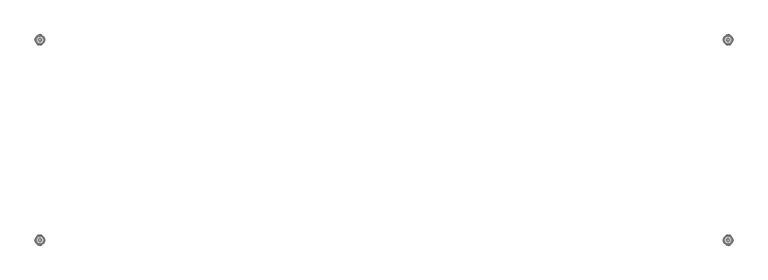
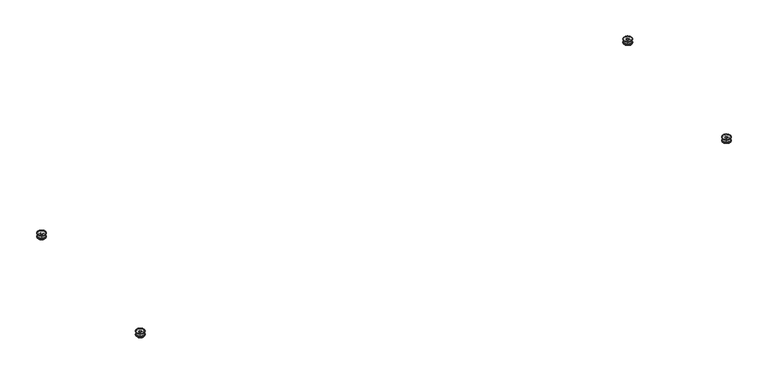
"""IFC4 building model written with IfcOpenShell, lengths in millimetres: furniture geometry."""

from ifc_helpers import new_model, si_unit, origin, place, context, project, spatial, triangles, source, transform, mapped, element, save


def furniture_698a0e67(model_context):
    return source(origin(), model_context, "Body", "Tessellation", [
        triangles([(1768.5860882, -557.0184711, 10.3123997), (1768.5860882, -557.0184711, 3.1750001), (1773.9454994, -566.3012258, 3.1750001), (1773.9454994, -566.3012258, 10.3123997), (1784.6643219, -566.3012258, 10.3123997), (1784.6643219, -566.3012258, 3.1750001), (1790.0237331, -557.0184711, 3.1750001), (1790.0237331, -557.0184711, 10.3123997), (1784.6643219, -547.7357165, 10.3123997), (1784.6643219, -547.7357165, 3.1750001), (1773.9454994, -547.7357165, 3.1750001), (1773.9454994, -547.7357165, 10.3123997), (1775.3298626, -557.0184711, 10.7949999), (1775.3298626, -557.0184711, 10.3123997), (1775.8623882, -559.0060315, 10.3123997), (1775.8623882, -559.0060315, 10.7949999), (1777.3173866, -560.4610299, 10.7949999), (1777.3173866, -560.4610299, 10.3123997), (1779.3049107, -560.9935919, 10.3123997), (1779.3049107, -560.9935919, 10.7949999), (1781.2924347, -560.4610299, 10.7949999), (1781.2924347, -560.4610299, 10.3123997), (1782.7474331, -559.0060315, 10.3123997), (1782.7474331, -559.0060315, 10.7949999), (1783.2801041, -557.0184711, 10.3123997), (1783.2801041, -557.0184711, 10.7949999), (1775.8623882, -555.0309108, 10.7949999), (1775.8623882, -555.0309108, 10.3123997), (1777.3173866, -553.5759487, 10.3123997), (1777.3173866, -553.5759487, 10.7949999), (1779.3049107, -553.0433867, 10.7949999), (1779.3049107, -553.0433867, 10.3123997), (1781.2924347, -553.5759487, 10.3123997), (1781.2924347, -553.5759487, 10.7949999), (1782.7474331, -555.0309108, 10.7949999), (1782.7474331, -555.0309108, 10.3123997), (1768.5373993, -550.8018448, 12.7000004), (1768.5373993, -550.8018448, 10.7949999), (1766.8716579, -557.0184711, 10.7949999), (1766.8716579, -557.0184711, 12.7000004), (1768.5373993, -563.2351338, 12.7000004), (1768.5373993, -563.2351338, 10.7949999), (1773.0882843, -567.7860188, 10.7949999), (1773.0882843, -567.7860188, 12.7000004), (1779.3049107, -569.4517965, 12.7000004), (1779.3049107, -569.4517965, 10.7949999), (1785.521537, -567.7860188, 10.7949999), (1785.521537, -567.7860188, 12.7000004), (1779.3049107, -544.5851821, 10.7949999), (1779.3049107, -544.5851821, 12.7000004), (1773.0882843, -546.2509234, 10.7949999), (1773.0882843, -546.2509234, 12.7000004), (1785.521537, -546.2509234, 12.7000004), (1785.521537, -546.2509234, 10.7949999), (1791.7383087, -557.0184711, 12.7000004), (1791.7383087, -557.0184711, 10.7949999), (1790.0725674, -550.8018448, 10.7949999), (1790.0725674, -550.8018448, 12.7000004), (1790.0725674, -563.2351338, 10.7949999), (1790.0725674, -563.2351338, 12.7000004), (1791.8018223, -557.0184711, 1.1938001), (1791.8018223, -557.0184711, 1.9812), (1790.1275059, -563.2668906, 1.9812), (1790.1275059, -563.2668906, 1.1938001), (1785.5533665, -567.84103, 1.1938001), (1785.5533665, -567.84103, 1.9812), (1779.3049107, -569.5152738, 1.1938001), (1779.3049107, -569.5152738, 1.9812), (1766.8081444, -557.0184711, 1.9812), (1766.8081444, -557.0184711, 1.1938001), (1768.4824608, -563.2668906, 1.1938001), (1768.4824608, -563.2668906, 1.9812), (1773.0566002, -567.84103, 1.9812), (1773.0566002, -567.84103, 1.1938001), (1790.1275059, -550.770088, 1.1938001), (1790.1275059, -550.770088, 1.9812), (1785.5533665, -546.1959486, 1.9812), (1785.5533665, -546.1959486, 1.1938001), (1779.3049107, -544.5216685, 1.1938001), (1779.3049107, -544.5216685, 1.9812), (1768.4824608, -550.770088, 1.9812), (1768.4824608, -550.770088, 1.1938001), (1773.0566002, -546.1959486, 1.1938001), (1773.0566002, -546.1959486, 1.9812), (1773.6535114, -547.2297881, 3.1750001), (1769.516264, -551.3669629, 3.1750001), (1768.0019669, -557.0184711, 3.1750001), (1784.9564552, -547.2297881, 3.1750001), (1779.3049107, -545.715491, 3.1750001), (1769.516264, -562.6699794, 3.1750001), (1773.6535114, -566.8071542, 3.1750001), (1790.6079998, -557.0184711, 3.1750001), (1789.0937027, -551.3669629, 3.1750001), (1784.9564552, -566.8071542, 3.1750001), (1789.0937027, -562.6699794, 3.1750001), (1779.3049107, -568.3214876, 3.1750001), (1779.3049107, -568.9183625, 3.0150611), (1785.2548382, -567.3240921, 3.0150611), (1785.4734295, -567.702521, 2.5780999), (1779.3049107, -569.3553271, 2.5780999), (1789.6105316, -562.968435, 3.0150611), (1789.9889969, -563.1869173, 2.5780999), (1791.204911, -557.0184711, 3.0150611), (1791.641803, -557.0184711, 2.5780999), (1789.6105316, -551.0685436, 3.0150611), (1789.9889969, -550.8500613, 2.5780999), (1773.3549831, -567.3240921, 3.0150611), (1773.1365372, -567.702521, 2.5780999), (1768.9992897, -562.968435, 3.0150611), (1768.6209698, -563.1869173, 2.5780999), (1767.4050556, -557.0184711, 3.0150611), (1766.9681637, -557.0184711, 2.5780999), (1768.9992897, -551.0685436, 3.0150611), (1768.6209698, -550.8500613, 2.5780999), (1773.3549831, -546.7128502, 3.0150611), (1773.1365372, -546.3344576, 2.5780999), (1779.3049107, -545.1185798, 3.0150611), (1779.3049107, -544.6816152, 2.5780999), (1785.2548382, -546.7128502, 3.0150611), (1785.4734295, -546.3344576, 2.5780999), (1779.3049107, -569.3553271, 0.5969), (1785.4734295, -567.702521, 0.5969), (1779.3049107, -568.9183625, 0.1599389), (1785.2548382, -567.3240921, 0.1599389), (1789.9889969, -563.1869173, 0.5969), (1789.6105316, -562.968435, 0.1599389), (1791.641803, -557.0184711, 0.5969), (1791.204911, -557.0184711, 0.1599389), (1789.9889969, -550.8500613, 0.5969), (1789.6105316, -551.0685436, 0.1599389), (1773.1365372, -567.702521, 0.5969), (1773.3549831, -567.3240921, 0.1599389), (1768.6209698, -563.1869173, 0.5969), (1768.9992897, -562.968435, 0.1599389), (1766.9681637, -557.0184711, 0.5969), (1767.4050556, -557.0184711, 0.1599389), (1768.6209698, -550.8500613, 0.5969), (1768.9992897, -551.0685436, 0.1599389), (1773.1365372, -546.3344576, 0.5969), (1773.3549831, -546.7128502, 0.1599389), (1779.3049107, -544.6816152, 0.5969), (1779.3049107, -545.1185798, 0.1599389), (1785.4734295, -546.3344576, 0.5969), (1785.2548382, -546.7128502, 0.1599389), (1779.3049107, -568.3214876, 0.0), (1784.9564552, -566.8071542, 0.0), (1789.0937027, -562.6699794, 0.0), (1790.6079998, -557.0184711, 0.0), (1789.0937027, -551.3669629, 0.0), (1773.6535114, -566.8071542, 0.0), (1769.516264, -562.6699794, 0.0), (1768.0019669, -557.0184711, 0.0), (1769.516264, -551.3669629, 0.0), (1773.6535114, -547.2297881, 0.0), (1779.3049107, -545.715491, 0.0), (1784.9564552, -547.2297881, 0.0), (1773.9454994, -43.2987697, 10.3123997), (1773.9454994, -43.2987697, 3.1750001), (1768.5860882, -52.5815198, 3.1750001), (1768.5860882, -52.5815198, 10.3123997), (1784.6643219, -43.2987697, 3.1750001), (1784.6643219, -43.2987697, 10.3123997), (1790.0237331, -52.5815198, 10.3123997), (1790.0237331, -52.5815198, 3.1750001), (1784.6643219, -61.8642744, 3.1750001), (1784.6643219, -61.8642744, 10.3123997), (1773.9454994, -61.8642744, 10.3123997), (1773.9454994, -61.8642744, 3.1750001), (1775.8623882, -50.593973, 10.7949999), (1775.8623882, -50.593973, 10.3123997), (1775.3298626, -52.5815198, 10.3123997), (1775.3298626, -52.5815198, 10.7949999), (1777.3173866, -49.1389837, 10.3123997), (1777.3173866, -49.1389837, 10.7949999), (1779.3049107, -48.6064217, 10.7949999), (1779.3049107, -48.6064217, 10.3123997), (1781.2924347, -49.1389837, 10.3123997), (1781.2924347, -49.1389837, 10.7949999), (1782.7474331, -50.593973, 10.7949999), (1782.7474331, -50.593973, 10.3123997), (1783.2801041, -52.5815198, 10.3123997), (1783.2801041, -52.5815198, 10.7949999), (1775.8623882, -54.5690711, 10.3123997), (1775.8623882, -54.5690711, 10.7949999), (1777.3173866, -56.0240604, 10.7949999), (1777.3173866, -56.0240604, 10.3123997), (1779.3049107, -56.5566223, 10.3123997), (1779.3049107, -56.5566223, 10.7949999), (1781.2924347, -56.0240604, 10.7949999), (1781.2924347, -56.0240604, 10.3123997), (1782.7474331, -54.5690711, 10.3123997), (1782.7474331, -54.5690711, 10.7949999), (1766.8716579, -52.5815198, 12.7000004), (1766.8716579, -52.5815198, 10.7949999), (1768.5373993, -58.7981734, 10.7949999), (1768.5373993, -58.7981734, 12.7000004), (1768.5373993, -46.3648707, 10.7949999), (1768.5373993, -46.3648707, 12.7000004), (1773.0882843, -41.8139675, 12.7000004), (1773.0882843, -41.8139675, 10.7949999), (1779.3049107, -40.1482216, 10.7949999), (1779.3049107, -40.1482216, 12.7000004), (1785.521537, -41.8139675, 12.7000004), (1785.521537, -41.8139675, 10.7949999), (1773.0882843, -63.3490766, 10.7949999), (1773.0882843, -63.3490766, 12.7000004), (1779.3049107, -65.0148224, 12.7000004), (1779.3049107, -65.0148224, 10.7949999), (1785.521537, -63.3490766, 10.7949999), (1785.521537, -63.3490766, 12.7000004), (1790.0725674, -58.7981734, 12.7000004), (1790.0725674, -58.7981734, 10.7949999), (1791.7383087, -52.5815198, 10.7949999), (1791.7383087, -52.5815198, 12.7000004), (1790.0725674, -46.3648707, 10.7949999), (1790.0725674, -46.3648707, 12.7000004), (1790.1275059, -46.333123, 1.1938001), (1790.1275059, -46.333123, 1.9812), (1791.8018223, -52.5815198, 1.9812), (1791.8018223, -52.5815198, 1.1938001), (1785.5533665, -41.7589745, 1.9812), (1785.5533665, -41.7589745, 1.1938001), (1779.3049107, -40.0847217, 1.1938001), (1779.3049107, -40.0847217, 1.9812), (1768.4824608, -46.333123, 1.9812), (1768.4824608, -46.333123, 1.1938001), (1766.8081444, -52.5815198, 1.1938001), (1766.8081444, -52.5815198, 1.9812), (1773.0566002, -41.7589745, 1.1938001), (1773.0566002, -41.7589745, 1.9812), (1790.1275059, -58.8299211, 1.1938001), (1790.1275059, -58.8299211, 1.9812), (1785.5533665, -63.4040696, 1.1938001), (1785.5533665, -63.4040696, 1.9812), (1779.3049107, -65.0783224, 1.1938001), (1779.3049107, -65.0783224, 1.9812), (1768.4824608, -58.8299211, 1.1938001), (1768.4824608, -58.8299211, 1.9812), (1773.0566002, -63.4040696, 1.9812), (1773.0566002, -63.4040696, 1.1938001), (1769.516264, -58.2330235, 3.1750001), (1773.6535114, -62.3702073, 3.1750001), (1768.0019669, -52.5815198, 3.1750001), (1779.3049107, -63.8845226, 3.1750001), (1784.9564552, -62.3702073, 3.1750001), (1769.516264, -46.9300206, 3.1750001), (1773.6535114, -42.7928367, 3.1750001), (1789.0937027, -58.2330235, 3.1750001), (1790.6079998, -52.5815198, 3.1750001), (1789.0937027, -46.9300206, 3.1750001), (1784.9564552, -42.7928367, 3.1750001), (1779.3049107, -41.2785215, 3.1750001), (1785.2548382, -42.2759079, 3.0150611), (1779.3049107, -40.6816193, 3.0150611), (1779.3049107, -40.2446592, 2.5780999), (1785.4734295, -41.897488, 2.5780999), (1789.6105316, -46.6315695, 3.0150611), (1789.9889969, -46.4130918, 2.5780999), (1791.204911, -52.5815198, 3.0150611), (1791.641803, -52.5815198, 2.5780999), (1789.6105316, -58.53147, 3.0150611), (1789.9889969, -58.7499523, 2.5780999), (1773.3549831, -42.2759079, 3.0150611), (1773.1365372, -41.897488, 2.5780999), (1768.9992897, -46.6315695, 3.0150611), (1768.6209698, -46.4130918, 2.5780999), (1767.4050556, -52.5815198, 3.0150611), (1766.9681637, -52.5815198, 2.5780999), (1768.9992897, -58.53147, 3.0150611), (1768.6209698, -58.7499523, 2.5780999), (1773.3549831, -62.8871362, 3.0150611), (1773.1365372, -63.265556, 2.5780999), (1779.3049107, -64.4814202, 3.0150611), (1779.3049107, -64.9183848, 2.5780999), (1785.2548382, -62.8871362, 3.0150611), (1785.4734295, -63.265556, 2.5780999), (1779.3049107, -40.6816193, 0.1599389), (1785.2548382, -42.2759079, 0.1599389), (1785.4734295, -41.897488, 0.5969), (1779.3049107, -40.2446592, 0.5969), (1789.6105316, -46.6315695, 0.1599389), (1789.9889969, -46.4130918, 0.5969), (1791.204911, -52.5815198, 0.1599389), (1791.641803, -52.5815198, 0.5969), (1789.6105316, -58.53147, 0.1599389), (1789.9889969, -58.7499523, 0.5969), (1773.3549831, -42.2759079, 0.1599389), (1773.1365372, -41.897488, 0.5969), (1768.9992897, -46.6315695, 0.1599389), (1768.6209698, -46.4130918, 0.5969), (1767.4050556, -52.5815198, 0.1599389), (1766.9681637, -52.5815198, 0.5969), (1768.9992897, -58.53147, 0.1599389), (1768.6209698, -58.7499523, 0.5969), (1773.3549831, -62.8871362, 0.1599389), (1773.1365372, -63.265556, 0.5969), (1779.3049107, -64.4814202, 0.1599389), (1779.3049107, -64.9183848, 0.5969), (1785.2548382, -62.8871362, 0.1599389), (1785.4734295, -63.265556, 0.5969), (1784.9564552, -42.7928367, 0.0), (1779.3049107, -41.2785215, 0.0), (1789.0937027, -46.9300206, 0.0), (1790.6079998, -52.5815198, 0.0), (1789.0937027, -58.2330235, 0.0), (1773.6535114, -42.7928367, 0.0), (1769.516264, -46.9300206, 0.0), (1768.0019669, -52.5815198, 0.0), (1769.516264, -58.2330235, 0.0), (1773.6535114, -62.3702073, 0.0), (1779.3049107, -63.8845226, 0.0), (1784.9564552, -62.3702073, 0.0), (54.8628395, -566.2963932, 10.3123997), (54.8628395, -566.2963932, 3.1750001), (60.2222371, -557.0136386, 3.1750001), (60.2222371, -557.0136386, 10.3123997), (44.1440397, -566.2963932, 3.1750001), (44.1440397, -566.2963932, 10.3123997), (38.7846375, -557.0136386, 10.3123997), (38.7846375, -557.0136386, 3.1750001), (44.1440397, -547.730884, 3.1750001), (44.1440397, -547.730884, 10.3123997), (54.8628395, -547.730884, 10.3123997), (54.8628395, -547.730884, 3.1750001), (52.9459779, -559.001199, 10.7949999), (52.9459779, -559.001199, 10.3123997), (53.4785399, -557.0136386, 10.3123997), (53.4785399, -557.0136386, 10.7949999), (51.4909886, -560.456161, 10.3123997), (51.4909886, -560.456161, 10.7949999), (49.5034373, -560.988723, 10.7949999), (49.5034373, -560.988723, 10.3123997), (47.5158906, -560.456161, 10.3123997), (47.5158906, -560.456161, 10.7949999), (46.0609012, -559.001199, 10.7949999), (46.0609012, -559.001199, 10.3123997), (45.5283393, -557.0136386, 10.3123997), (45.5283393, -557.0136386, 10.7949999), (52.9459779, -555.0260782, 10.3123997), (52.9459779, -555.0260782, 10.7949999), (51.4909886, -553.5710798, 10.3123997), (51.4909886, -553.5710798, 10.7949999), (49.5034373, -553.0385179, 10.3123997), (49.5034373, -553.0385179, 10.7949999), (47.5158906, -553.5710798, 10.7949999), (47.5158906, -553.5710798, 10.3123997), (46.0609012, -555.0260782, 10.3123997), (46.0609012, -555.0260782, 10.7949999), (61.93674, -557.0136386, 12.7000004), (61.93674, -557.0136386, 10.7949999), (60.2709941, -550.7969759, 10.7949999), (60.2709941, -550.7969759, 12.7000004), (60.2709941, -563.2303013, 10.7949999), (60.2709941, -563.2303013, 12.7000004), (55.7200909, -567.7811863, 12.7000004), (55.7200909, -567.7811863, 10.7949999), (49.5034373, -569.4469276, 10.7949999), (49.5034373, -569.4469276, 12.7000004), (43.2867882, -567.7811863, 12.7000004), (43.2867882, -567.7811863, 10.7949999), (55.7200909, -546.2460909, 10.7949999), (55.7200909, -546.2460909, 12.7000004), (49.5034373, -544.5803495, 10.7949999), (49.5034373, -544.5803495, 12.7000004), (43.2867882, -546.2460909, 10.7949999), (43.2867882, -546.2460909, 12.7000004), (38.7358851, -550.7969759, 12.7000004), (38.7358851, -550.7969759, 10.7949999), (37.0701392, -557.0136386, 10.7949999), (37.0701392, -557.0136386, 12.7000004), (38.7358851, -563.2303013, 12.7000004), (38.7358851, -563.2303013, 10.7949999), (38.6808921, -563.2620217, 1.1938001), (38.6808921, -563.2620217, 1.9812), (37.0066392, -557.0136386, 1.1938001), (37.0066392, -557.0136386, 1.9812), (43.2550405, -567.8361975, 1.9812), (43.2550405, -567.8361975, 1.1938001), (49.5034373, -569.5104412, 1.1938001), (49.5034373, -569.5104412, 1.9812), (60.3259871, -563.2620217, 1.9812), (60.3259871, -563.2620217, 1.1938001), (62.0002399, -557.0136386, 1.1938001), (62.0002399, -557.0136386, 1.9812), (55.7518386, -567.8361975, 1.1938001), (55.7518386, -567.8361975, 1.9812), (38.6808921, -550.7652191, 1.1938001), (38.6808921, -550.7652191, 1.9812), (43.2550405, -546.1910797, 1.1938001), (43.2550405, -546.1910797, 1.9812), (49.5034373, -544.516836, 1.1938001), (49.5034373, -544.516836, 1.9812), (60.3259871, -550.7652191, 1.1938001), (60.3259871, -550.7652191, 1.9812), (55.7518386, -546.1910797, 1.1938001), (55.7518386, -546.1910797, 1.9812), (59.2921249, -551.3621304, 3.1750001), (55.1549365, -547.2249556, 3.1750001), (60.8064402, -557.0136386, 3.1750001), (49.5034373, -545.7106221, 3.1750001), (43.8519382, -547.2249556, 3.1750001), (59.2921249, -562.6651468, 3.1750001), (55.1549365, -566.8023216, 3.1750001), (39.7147543, -551.3621304, 3.1750001), (38.200439, -557.0136386, 3.1750001), (39.7147543, -562.6651468, 3.1750001), (43.8519382, -566.8023216, 3.1750001), (49.5034373, -568.3166187, 3.1750001), (43.5534871, -567.3192595, 3.0150611), (49.5034373, -568.91353, 3.0150611), (49.5034373, -569.3504946, 2.5780999), (43.3350093, -567.6976521, 2.5780999), (39.1978209, -562.9635661, 3.0150611), (38.8194056, -563.1820484, 2.5780999), (37.6035391, -557.0136386, 3.0150611), (37.1665768, -557.0136386, 2.5780999), (39.1978209, -551.0636747, 3.0150611), (38.8194056, -550.8451924, 2.5780999), (55.4533875, -567.3192595, 3.0150611), (55.6718698, -567.6976521, 2.5780999), (59.8090537, -562.9635661, 3.0150611), (60.1874736, -563.1820484, 2.5780999), (61.4033378, -557.0136386, 3.0150611), (61.8402978, -557.0136386, 2.5780999), (59.8090537, -551.0636747, 3.0150611), (60.1874736, -550.8451924, 2.5780999), (55.4533875, -546.7080176, 3.0150611), (55.6718698, -546.3295887, 2.5780999), (49.5034373, -545.1137472, 3.0150611), (49.5034373, -544.6767826, 2.5780999), (43.5534871, -546.7080176, 3.0150611), (43.3350093, -546.3295887, 2.5780999), (49.5034373, -568.91353, 0.1599389), (43.5534871, -567.3192595, 0.1599389), (43.3350093, -567.6976521, 0.5969), (49.5034373, -569.3504946, 0.5969), (39.1978209, -562.9635661, 0.1599389), (38.8194056, -563.1820484, 0.5969), (37.6035391, -557.0136386, 0.1599389), (37.1665768, -557.0136386, 0.5969), (39.1978209, -551.0636747, 0.1599389), (38.8194056, -550.8451924, 0.5969), (55.4533875, -567.3192595, 0.1599389), (55.6718698, -567.6976521, 0.5969), (59.8090537, -562.9635661, 0.1599389), (60.1874736, -563.1820484, 0.5969), (61.4033378, -557.0136386, 0.1599389), (61.8402978, -557.0136386, 0.5969), (59.8090537, -551.0636747, 0.1599389), (60.1874736, -550.8451924, 0.5969), (55.4533875, -546.7080176, 0.1599389), (55.6718698, -546.3295887, 0.5969), (49.5034373, -545.1137472, 0.1599389), (49.5034373, -544.6767826, 0.5969), (43.5534871, -546.7080176, 0.1599389), (43.3350093, -546.3295887, 0.5969), (43.8519382, -566.8023216, 0.0), (49.5034373, -568.3166187, 0.0), (39.7147543, -562.6651468, 0.0), (38.200439, -557.0136386, 0.0), (39.7147543, -551.3621304, 0.0), (55.1549365, -566.8023216, 0.0), (59.2921249, -562.6651468, 0.0), (60.8064402, -557.0136386, 0.0), (59.2921249, -551.3621304, 0.0), (55.1549365, -547.2249556, 0.0), (49.5034373, -545.7106221, 0.0), (43.8519382, -547.2249556, 0.0), (60.2222371, -52.586366, 10.3123997), (60.2222371, -52.586366, 3.1750001), (54.8628395, -43.3036113, 3.1750001), (54.8628395, -43.3036113, 10.3123997), (44.1440397, -43.3036113, 10.3123997), (44.1440397, -43.3036113, 3.1750001), (38.7846375, -52.586366, 10.3123997), (38.7846375, -52.586366, 3.1750001), (44.1440397, -61.8691206, 10.3123997), (44.1440397, -61.8691206, 3.1750001), (54.8628395, -61.8691206, 3.1750001), (54.8628395, -61.8691206, 10.3123997), (53.4785399, -52.586366, 10.7949999), (53.4785399, -52.586366, 10.3123997), (52.9459779, -50.5988147, 10.3123997), (52.9459779, -50.5988147, 10.7949999), (51.4909886, -49.1438299, 10.3123997), (51.4909886, -49.1438299, 10.7949999), (49.5034373, -48.6112679, 10.3123997), (49.5034373, -48.6112679, 10.7949999), (47.5158906, -49.1438299, 10.7949999), (47.5158906, -49.1438299, 10.3123997), (46.0609012, -50.5988147, 10.3123997), (46.0609012, -50.5988147, 10.7949999), (45.5283393, -52.586366, 10.7949999), (45.5283393, -52.586366, 10.3123997), (52.9459779, -54.5739172, 10.7949999), (52.9459779, -54.5739172, 10.3123997), (51.4909886, -56.028902, 10.3123997), (51.4909886, -56.028902, 10.7949999), (49.5034373, -56.561464, 10.7949999), (49.5034373, -56.561464, 10.3123997), (47.5158906, -56.028902, 10.3123997), (47.5158906, -56.028902, 10.7949999), (46.0609012, -54.5739172, 10.7949999), (46.0609012, -54.5739172, 10.3123997), (60.2709941, -58.803015, 12.7000004), (60.2709941, -58.803015, 10.7949999), (61.93674, -52.586366, 10.7949999), (61.93674, -52.586366, 12.7000004), (60.2709941, -46.3697169, 10.7949999), (60.2709941, -46.3697169, 12.7000004), (55.7200909, -41.8188137, 10.7949999), (55.7200909, -41.8188137, 12.7000004), (49.5034373, -40.1530678, 10.7949999), (49.5034373, -40.1530678, 12.7000004), (43.2867882, -41.8188137, 10.7949999), (43.2867882, -41.8188137, 12.7000004), (49.5034373, -65.0196641, 10.7949999), (49.5034373, -65.0196641, 12.7000004), (55.7200909, -63.3539182, 12.7000004), (55.7200909, -63.3539182, 10.7949999), (43.2867882, -63.3539182, 12.7000004), (43.2867882, -63.3539182, 10.7949999), (37.0701392, -52.586366, 12.7000004), (37.0701392, -52.586366, 10.7949999), (38.7358851, -58.803015, 10.7949999), (38.7358851, -58.803015, 12.7000004), (38.7358851, -46.3697169, 10.7949999), (38.7358851, -46.3697169, 12.7000004), (37.0066392, -52.586366, 1.1938001), (37.0066392, -52.586366, 1.9812), (38.6808921, -46.3379646, 1.1938001), (38.6808921, -46.3379646, 1.9812), (43.2550405, -41.7638207, 1.1938001), (43.2550405, -41.7638207, 1.9812), (49.5034373, -40.0895679, 1.9812), (49.5034373, -40.0895679, 1.1938001), (62.0002399, -52.586366, 1.9812), (62.0002399, -52.586366, 1.1938001), (60.3259871, -46.3379646, 1.1938001), (60.3259871, -46.3379646, 1.9812), (55.7518386, -41.7638207, 1.1938001), (55.7518386, -41.7638207, 1.9812), (38.6808921, -58.8347673, 1.1938001), (38.6808921, -58.8347673, 1.9812), (43.2550405, -63.4089112, 1.9812), (43.2550405, -63.4089112, 1.1938001), (49.5034373, -65.083164, 1.1938001), (49.5034373, -65.083164, 1.9812), (60.3259871, -58.8347673, 1.9812), (60.3259871, -58.8347673, 1.1938001), (55.7518386, -63.4089112, 1.1938001), (55.7518386, -63.4089112, 1.9812), (55.1549365, -62.375049, 3.1750001), (59.2921249, -58.2378651, 3.1750001), (60.8064402, -52.586366, 3.1750001), (43.8519382, -62.375049, 3.1750001), (49.5034373, -63.8893643, 3.1750001), (59.2921249, -46.9348668, 3.1750001), (55.1549365, -42.7976829, 3.1750001), (38.200439, -52.586366, 3.1750001), (39.7147543, -58.2378651, 3.1750001), (43.8519382, -42.7976829, 3.1750001), (39.7147543, -46.9348668, 3.1750001), (49.5034373, -41.2833676, 3.1750001), (43.5534871, -42.2807495, 3.0150611), (49.5034373, -40.6864655, 3.0150611), (43.3350093, -41.9023297, 2.5780999), (49.5034373, -40.2495054, 2.5780999), (39.1978209, -46.6364157, 3.0150611), (38.8194056, -46.4179334, 2.5780999), (37.6035391, -52.586366, 3.0150611), (37.1665768, -52.586366, 2.5780999), (39.1978209, -58.5363162, 3.0150611), (38.8194056, -58.7547985, 2.5780999), (55.4533875, -42.2807495, 3.0150611), (55.6718698, -41.9023297, 2.5780999), (59.8090537, -46.6364157, 3.0150611), (60.1874736, -46.4179334, 2.5780999), (61.4033378, -52.586366, 3.0150611), (61.8402978, -52.586366, 2.5780999), (59.8090537, -58.5363162, 3.0150611), (60.1874736, -58.7547985, 2.5780999), (55.4533875, -62.8919824, 3.0150611), (55.6718698, -63.2704022, 2.5780999), (49.5034373, -64.4862664, 3.0150611), (49.5034373, -64.9232265, 2.5780999), (43.5534871, -62.8919824, 3.0150611), (43.3350093, -63.2704022, 2.5780999), (49.5034373, -40.2495054, 0.5969), (43.3350093, -41.9023297, 0.5969), (43.5534871, -42.2807495, 0.1599389), (49.5034373, -40.6864655, 0.1599389), (38.8194056, -46.4179334, 0.5969), (39.1978209, -46.6364157, 0.1599389), (37.1665768, -52.586366, 0.5969), (37.6035391, -52.586366, 0.1599389), (38.8194056, -58.7547985, 0.5969), (39.1978209, -58.5363162, 0.1599389), (55.6718698, -41.9023297, 0.5969), (55.4533875, -42.2807495, 0.1599389), (60.1874736, -46.4179334, 0.5969), (59.8090537, -46.6364157, 0.1599389), (61.8402978, -52.586366, 0.5969), (61.4033378, -52.586366, 0.1599389), (60.1874736, -58.7547985, 0.5969), (59.8090537, -58.5363162, 0.1599389), (55.6718698, -63.2704022, 0.5969), (55.4533875, -62.8919824, 0.1599389), (49.5034373, -64.9232265, 0.5969), (49.5034373, -64.4862664, 0.1599389), (43.3350093, -63.2704022, 0.5969), (43.5534871, -62.8919824, 0.1599389), (49.5034373, -41.2833676, 0.0), (43.8519382, -42.7976829, 0.0), (39.7147543, -46.9348668, 0.0), (38.200439, -52.586366, 0.0), (39.7147543, -58.2378651, 0.0), (55.1549365, -42.7976829, 0.0), (59.2921249, -46.9348668, 0.0), (60.8064402, -52.586366, 0.0), (59.2921249, -58.2378651, 0.0), (55.1549365, -62.375049, 0.0), (49.5034373, -63.8893643, 0.0), (43.8519382, -62.375049, 0.0)], [[1, 2, 3], [1, 3, 4], [3, 4, 5], [3, 5, 6], [5, 6, 7], [5, 7, 8], [7, 8, 9], [7, 9, 10], [9, 10, 11], [9, 11, 12], [11, 12, 1], [11, 1, 2], [13, 14, 15], [13, 15, 16], [15, 16, 17], [15, 17, 18], [17, 18, 19], [17, 19, 20], [19, 20, 21], [19, 21, 22], [21, 22, 23], [21, 23, 24], [23, 24, 25], [24, 26, 25], [27, 28, 14], [27, 14, 13], [29, 30, 28], [30, 27, 28], [31, 32, 29], [31, 29, 30], [33, 34, 32], [34, 31, 32], [35, 36, 33], [35, 33, 34], [25, 26, 36], [26, 35, 36], [37, 38, 39], [37, 39, 40], [39, 40, 41], [39, 41, 42], [41, 42, 43], [41, 43, 44], [43, 44, 45], [43, 45, 46], [45, 46, 47], [45, 47, 48], [49, 50, 51], [50, 52, 51], [53, 54, 49], [53, 49, 50], [52, 51, 38], [52, 38, 37], [55, 56, 57], [55, 57, 58], [59, 60, 56], [60, 55, 56], [48, 47, 59], [48, 59, 60], [58, 57, 54], [58, 54, 53], [54, 34, 35], [54, 35, 57], [35, 57, 56], [35, 56, 26], [56, 26, 24], [56, 24, 59], [34, 54, 49], [34, 49, 31], [49, 31, 51], [31, 30, 51], [30, 51, 38], [30, 38, 27], [38, 27, 13], [38, 13, 39], [13, 39, 42], [13, 42, 16], [59, 24, 21], [59, 21, 47], [21, 47, 20], [47, 46, 20], [46, 20, 17], [46, 17, 43], [17, 43, 42], [17, 42, 16], [61, 62, 63], [61, 63, 64], [63, 64, 65], [63, 65, 66], [65, 66, 67], [66, 68, 67], [69, 70, 71], [69, 71, 72], [71, 72, 73], [71, 73, 74], [73, 74, 67], [73, 67, 68], [75, 76, 62], [75, 62, 61], [77, 78, 75], [77, 75, 76], [79, 80, 77], [79, 77, 78], [81, 82, 70], [81, 70, 69], [83, 84, 82], [84, 81, 82], [80, 79, 83], [80, 83, 84], [11, 85, 86], [11, 86, 2], [87, 2, 86], [10, 88, 89], [10, 89, 11], [85, 11, 89], [2, 87, 90], [2, 90, 3], [91, 3, 90], [7, 92, 93], [7, 93, 10], [88, 10, 93], [6, 94, 95], [6, 95, 7], [92, 7, 95], [3, 91, 96], [3, 96, 6], [94, 6, 96], [12, 1, 5], [12, 5, 8], [9, 12, 8], [5, 1, 4], [94, 96, 97], [94, 97, 98], [97, 98, 99], [97, 99, 100], [99, 100, 68], [99, 68, 66], [95, 94, 98], [95, 98, 101], [98, 101, 102], [98, 102, 99], [102, 99, 66], [102, 66, 63], [92, 95, 101], [92, 101, 103], [101, 103, 104], [101, 104, 102], [104, 102, 63], [104, 63, 62], [93, 92, 103], [93, 103, 105], [103, 105, 106], [103, 106, 104], [106, 104, 62], [106, 62, 76], [96, 91, 97], [91, 107, 97], [107, 97, 100], [107, 100, 108], [100, 108, 68], [108, 73, 68], [91, 90, 109], [91, 109, 107], [109, 107, 110], [107, 108, 110], [108, 110, 72], [108, 72, 73], [90, 87, 111], [90, 111, 109], [111, 109, 112], [109, 110, 112], [110, 112, 69], [110, 69, 72], [87, 86, 111], [86, 113, 111], [113, 111, 114], [111, 112, 114], [112, 114, 81], [112, 81, 69], [86, 85, 113], [85, 115, 113], [115, 113, 114], [115, 114, 116], [114, 116, 81], [116, 84, 81], [85, 89, 115], [89, 117, 115], [117, 115, 116], [117, 116, 118], [116, 118, 84], [118, 80, 84], [89, 88, 119], [89, 119, 117], [119, 117, 118], [119, 118, 120], [118, 120, 77], [118, 77, 80], [88, 93, 105], [88, 105, 119], [105, 119, 120], [105, 120, 106], [120, 106, 76], [120, 76, 77], [121, 122, 123], [122, 124, 123], [65, 67, 121], [65, 121, 122], [122, 125, 124], [125, 126, 124], [64, 65, 122], [64, 122, 125], [125, 127, 128], [125, 128, 126], [61, 64, 127], [64, 125, 127], [127, 129, 130], [127, 130, 128], [75, 61, 129], [61, 127, 129], [131, 121, 123], [131, 123, 132], [67, 74, 131], [67, 131, 121], [133, 131, 132], [133, 132, 134], [74, 71, 133], [74, 133, 131], [135, 133, 134], [135, 134, 136], [71, 70, 135], [71, 135, 133], [137, 135, 136], [137, 136, 138], [70, 82, 137], [70, 137, 135], [139, 137, 138], [139, 138, 140], [82, 83, 139], [82, 139, 137], [141, 139, 140], [141, 140, 142], [83, 79, 141], [83, 141, 139], [143, 141, 144], [141, 142, 144], [79, 78, 143], [79, 143, 141], [129, 143, 144], [129, 144, 130], [78, 75, 143], [75, 129, 143], [124, 123, 145], [124, 145, 146], [126, 124, 146], [126, 146, 147], [128, 126, 147], [128, 147, 148], [130, 128, 149], [128, 148, 149], [123, 132, 150], [123, 150, 145], [132, 134, 151], [132, 151, 150], [134, 136, 152], [134, 152, 151], [136, 138, 153], [136, 153, 152], [138, 140, 154], [138, 154, 153], [140, 142, 155], [140, 155, 154], [142, 144, 156], [142, 156, 155], [144, 130, 156], [130, 149, 156], [145, 155, 156], [145, 156, 146], [156, 146, 147], [156, 147, 149], [147, 149, 148], [145, 150, 154], [145, 154, 155], [154, 150, 151], [154, 151, 153], [151, 153, 152], [157, 158, 159], [157, 159, 160], [161, 162, 157], [161, 157, 158], [163, 164, 161], [163, 161, 162], [165, 166, 163], [165, 163, 164], [167, 168, 165], [167, 165, 166], [159, 160, 167], [159, 167, 168], [169, 170, 171], [169, 171, 172], [173, 174, 170], [174, 169, 170], [175, 176, 173], [175, 173, 174], [177, 178, 176], [178, 175, 176], [179, 180, 177], [179, 177, 178], [181, 182, 180], [182, 179, 180], [172, 171, 183], [172, 183, 184], [183, 184, 185], [183, 185, 186], [185, 186, 187], [185, 187, 188], [187, 188, 189], [187, 189, 190], [189, 190, 191], [189, 191, 192], [191, 192, 182], [191, 182, 181], [193, 194, 195], [193, 195, 196], [197, 198, 194], [198, 193, 194], [199, 200, 197], [199, 197, 198], [201, 202, 200], [202, 199, 200], [203, 204, 201], [203, 201, 202], [205, 206, 207], [205, 207, 208], [207, 208, 209], [207, 209, 210], [196, 195, 205], [196, 205, 206], [211, 212, 213], [211, 213, 214], [213, 214, 215], [214, 216, 215], [216, 215, 204], [216, 204, 203], [210, 209, 212], [210, 212, 211], [212, 192, 189], [212, 189, 209], [182, 213, 212], [182, 212, 192], [215, 179, 213], [179, 182, 213], [188, 208, 209], [188, 209, 189], [205, 185, 188], [205, 188, 208], [184, 195, 205], [184, 205, 185], [194, 172, 184], [194, 184, 195], [169, 197, 172], [197, 194, 172], [204, 178, 179], [204, 179, 215], [175, 201, 204], [175, 204, 178], [200, 174, 175], [200, 175, 201], [169, 197, 200], [169, 200, 174], [217, 218, 219], [217, 219, 220], [221, 222, 217], [221, 217, 218], [223, 224, 221], [223, 221, 222], [225, 226, 227], [225, 227, 228], [229, 230, 226], [230, 225, 226], [224, 223, 229], [224, 229, 230], [220, 219, 231], [219, 232, 231], [232, 231, 233], [232, 233, 234], [233, 234, 235], [234, 236, 235], [228, 227, 237], [228, 237, 238], [237, 238, 239], [237, 239, 240], [239, 240, 235], [239, 235, 236], [241, 242, 168], [159, 241, 168], [241, 159, 243], [244, 245, 165], [168, 244, 165], [244, 168, 242], [246, 243, 159], [158, 246, 159], [246, 158, 247], [248, 249, 164], [165, 248, 164], [248, 165, 245], [250, 251, 161], [164, 250, 161], [250, 164, 249], [252, 247, 158], [161, 252, 158], [252, 161, 251], [163, 162, 160], [163, 160, 167], [163, 167, 166], [157, 160, 162], [253, 254, 252], [253, 252, 251], [255, 256, 254], [256, 253, 254], [221, 224, 255], [221, 255, 256], [257, 253, 251], [257, 251, 250], [256, 258, 253], [258, 257, 253], [218, 221, 256], [218, 256, 258], [259, 257, 250], [259, 250, 249], [258, 260, 257], [260, 259, 257], [219, 218, 258], [219, 258, 260], [261, 259, 249], [261, 249, 248], [260, 262, 261], [260, 261, 259], [232, 219, 262], [219, 260, 262], [254, 263, 247], [254, 247, 252], [264, 255, 254], [264, 254, 263], [224, 230, 255], [230, 264, 255], [263, 265, 246], [263, 246, 247], [266, 264, 263], [266, 263, 265], [230, 225, 266], [230, 266, 264], [265, 267, 243], [265, 243, 246], [268, 266, 265], [268, 265, 267], [225, 228, 268], [225, 268, 266], [267, 269, 241], [267, 241, 243], [270, 268, 267], [270, 267, 269], [228, 238, 270], [228, 270, 268], [269, 271, 242], [269, 242, 241], [272, 270, 269], [272, 269, 271], [238, 239, 272], [238, 272, 270], [271, 273, 244], [271, 244, 242], [274, 272, 271], [274, 271, 273], [239, 236, 274], [239, 274, 272], [273, 275, 244], [275, 245, 244], [276, 274, 273], [276, 273, 275], [236, 234, 276], [236, 276, 274], [275, 261, 245], [261, 248, 245], [262, 276, 275], [262, 275, 261], [234, 232, 276], [232, 262, 276], [277, 278, 279], [277, 279, 280], [279, 280, 222], [280, 223, 222], [278, 281, 282], [278, 282, 279], [282, 279, 222], [282, 222, 217], [281, 283, 284], [281, 284, 282], [284, 282, 217], [284, 217, 220], [283, 285, 286], [283, 286, 284], [286, 284, 220], [286, 220, 231], [287, 277, 288], [277, 280, 288], [280, 288, 229], [280, 229, 223], [289, 287, 290], [287, 288, 290], [288, 290, 226], [288, 226, 229], [291, 289, 292], [289, 290, 292], [290, 292, 227], [290, 227, 226], [293, 291, 292], [293, 292, 294], [292, 294, 227], [294, 237, 227], [295, 293, 294], [295, 294, 296], [294, 296, 237], [296, 240, 237], [297, 295, 296], [297, 296, 298], [296, 298, 235], [296, 235, 240], [299, 297, 298], [299, 298, 300], [298, 300, 233], [298, 233, 235], [285, 299, 300], [285, 300, 286], [300, 286, 231], [300, 231, 233], [301, 302, 277], [301, 277, 278], [303, 301, 278], [303, 278, 281], [304, 303, 281], [304, 281, 283], [305, 304, 283], [305, 283, 285], [302, 306, 287], [302, 287, 277], [306, 307, 289], [306, 289, 287], [307, 308, 289], [308, 291, 289], [308, 309, 291], [309, 293, 291], [309, 310, 293], [310, 295, 293], [310, 311, 295], [311, 297, 295], [311, 312, 299], [311, 299, 297], [312, 305, 285], [312, 285, 299], [301, 312, 302], [312, 311, 302], [305, 303, 312], [303, 301, 312], [304, 305, 303], [311, 310, 306], [311, 306, 302], [309, 307, 306], [309, 306, 310], [308, 309, 307], [313, 314, 315], [313, 315, 316], [317, 318, 313], [317, 313, 314], [319, 320, 317], [319, 317, 318], [321, 322, 319], [321, 319, 320], [323, 324, 321], [323, 321, 322], [315, 316, 323], [315, 323, 324], [325, 326, 327], [325, 327, 328], [329, 330, 326], [330, 325, 326], [331, 332, 329], [331, 329, 330], [333, 334, 331], [333, 331, 332], [335, 336, 333], [335, 333, 334], [337, 338, 335], [337, 335, 336], [328, 327, 339], [328, 339, 340], [339, 340, 341], [340, 342, 341], [342, 341, 343], [342, 343, 344], [343, 344, 345], [343, 345, 346], [345, 346, 347], [345, 347, 348], [347, 348, 338], [347, 338, 337], [349, 350, 351], [349, 351, 352], [353, 354, 350], [354, 349, 350], [355, 356, 353], [355, 353, 354], [357, 358, 356], [358, 355, 356], [359, 360, 357], [359, 357, 358], [361, 362, 363], [362, 364, 363], [364, 363, 365], [364, 365, 366], [352, 351, 361], [352, 361, 362], [367, 368, 369], [367, 369, 370], [369, 370, 371], [369, 371, 372], [371, 372, 360], [371, 360, 359], [366, 365, 368], [366, 368, 367], [368, 348, 365], [348, 345, 365], [338, 369, 368], [338, 368, 348], [372, 335, 338], [372, 338, 369], [344, 363, 345], [363, 365, 345], [361, 342, 344], [361, 344, 363], [340, 351, 361], [340, 361, 342], [350, 328, 351], [328, 340, 351], [325, 353, 328], [353, 350, 328], [360, 334, 335], [360, 335, 372], [331, 357, 360], [331, 360, 334], [356, 330, 331], [356, 331, 357], [325, 353, 356], [325, 356, 330], [373, 374, 375], [374, 376, 375], [377, 378, 373], [377, 373, 374], [379, 380, 378], [380, 377, 378], [381, 382, 383], [381, 383, 384], [385, 386, 382], [386, 381, 382], [380, 379, 385], [380, 385, 386], [375, 376, 387], [376, 388, 387], [388, 387, 389], [388, 389, 390], [389, 390, 391], [390, 392, 391], [384, 383, 393], [384, 393, 394], [393, 394, 395], [394, 396, 395], [396, 395, 391], [396, 391, 392], [397, 398, 324], [315, 397, 324], [397, 315, 399], [400, 401, 321], [324, 400, 321], [400, 324, 398], [402, 399, 315], [314, 402, 315], [402, 314, 403], [404, 405, 320], [321, 404, 320], [404, 321, 401], [406, 407, 317], [320, 406, 317], [406, 320, 405], [408, 403, 314], [317, 408, 314], [408, 317, 407], [319, 318, 316], [319, 316, 323], [319, 323, 322], [313, 316, 318], [409, 410, 407], [410, 408, 407], [411, 412, 409], [411, 409, 410], [377, 380, 412], [380, 411, 412], [413, 409, 406], [409, 407, 406], [412, 414, 413], [412, 413, 409], [374, 377, 414], [377, 412, 414], [415, 413, 405], [413, 406, 405], [414, 416, 415], [414, 415, 413], [376, 374, 414], [376, 414, 416], [417, 415, 405], [417, 405, 404], [416, 418, 417], [416, 417, 415], [388, 376, 416], [388, 416, 418], [410, 419, 403], [410, 403, 408], [420, 411, 419], [411, 410, 419], [380, 386, 420], [380, 420, 411], [419, 421, 402], [419, 402, 403], [422, 420, 421], [420, 419, 421], [386, 381, 422], [386, 422, 420], [421, 423, 399], [421, 399, 402], [424, 422, 423], [422, 421, 423], [381, 384, 424], [381, 424, 422], [423, 425, 397], [423, 397, 399], [426, 424, 423], [426, 423, 425], [384, 394, 424], [394, 426, 424], [425, 427, 398], [425, 398, 397], [428, 426, 425], [428, 425, 427], [394, 396, 428], [394, 428, 426], [427, 429, 400], [427, 400, 398], [430, 428, 427], [430, 427, 429], [396, 392, 430], [396, 430, 428], [429, 431, 401], [429, 401, 400], [432, 430, 429], [432, 429, 431], [392, 390, 432], [392, 432, 430], [431, 417, 404], [431, 404, 401], [418, 432, 431], [418, 431, 417], [390, 388, 418], [390, 418, 432], [433, 434, 435], [433, 435, 436], [435, 436, 379], [435, 379, 378], [434, 437, 438], [434, 438, 435], [438, 435, 378], [438, 378, 373], [437, 439, 440], [437, 440, 438], [440, 438, 373], [440, 373, 375], [439, 441, 442], [439, 442, 440], [442, 440, 375], [442, 375, 387], [443, 433, 436], [443, 436, 444], [436, 444, 385], [436, 385, 379], [445, 443, 444], [445, 444, 446], [444, 446, 382], [444, 382, 385], [447, 445, 446], [447, 446, 448], [446, 448, 383], [446, 383, 382], [449, 447, 450], [447, 448, 450], [448, 450, 393], [448, 393, 383], [451, 449, 452], [449, 450, 452], [450, 452, 395], [450, 395, 393], [453, 451, 454], [451, 452, 454], [452, 454, 391], [452, 391, 395], [455, 453, 454], [455, 454, 456], [454, 456, 391], [456, 389, 391], [441, 455, 456], [441, 456, 442], [456, 442, 389], [442, 387, 389], [457, 458, 433], [457, 433, 434], [459, 457, 434], [459, 434, 437], [460, 459, 437], [460, 437, 439], [461, 460, 441], [460, 439, 441], [458, 462, 443], [458, 443, 433], [462, 463, 445], [462, 445, 443], [463, 464, 447], [463, 447, 445], [464, 465, 449], [464, 449, 447], [465, 466, 451], [465, 451, 449], [466, 467, 453], [466, 453, 451], [467, 468, 453], [468, 455, 453], [468, 461, 455], [461, 441, 455], [457, 468, 458], [468, 467, 458], [461, 459, 457], [461, 457, 468], [460, 461, 459], [467, 466, 462], [467, 462, 458], [465, 463, 462], [465, 462, 466], [464, 465, 463], [469, 470, 471], [469, 471, 472], [471, 472, 473], [471, 473, 474], [473, 474, 475], [474, 476, 475], [476, 475, 477], [476, 477, 478], [477, 478, 479], [477, 479, 480], [479, 480, 469], [479, 469, 470], [481, 482, 483], [481, 483, 484], [483, 484, 485], [484, 486, 485], [486, 485, 487], [486, 487, 488], [487, 488, 489], [487, 489, 490], [489, 490, 491], [489, 491, 492], [491, 492, 493], [491, 493, 494], [495, 496, 482], [495, 482, 481], [497, 498, 495], [497, 495, 496], [499, 500, 498], [500, 497, 498], [501, 502, 499], [501, 499, 500], [503, 504, 501], [503, 501, 502], [494, 493, 503], [494, 503, 504], [505, 506, 507], [505, 507, 508], [507, 508, 509], [508, 510, 509], [510, 509, 511], [510, 511, 512], [511, 512, 513], [512, 514, 513], [514, 513, 515], [514, 515, 516], [517, 518, 519], [517, 519, 520], [521, 522, 517], [521, 517, 518], [519, 520, 506], [519, 506, 505], [523, 524, 525], [523, 525, 526], [527, 528, 523], [527, 523, 524], [516, 515, 527], [516, 527, 528], [526, 525, 522], [526, 522, 521], [522, 502, 503], [522, 503, 525], [503, 525, 524], [503, 524, 493], [524, 493, 527], [493, 492, 527], [502, 522, 517], [502, 517, 499], [517, 499, 520], [499, 498, 520], [498, 520, 506], [498, 506, 495], [506, 495, 481], [506, 481, 507], [481, 507, 484], [507, 509, 484], [527, 492, 489], [527, 489, 515], [489, 515, 513], [489, 513, 488], [513, 488, 486], [513, 486, 511], [486, 511, 509], [486, 509, 484], [529, 530, 531], [530, 532, 531], [532, 531, 533], [532, 533, 534], [533, 534, 535], [533, 535, 536], [537, 538, 539], [537, 539, 540], [539, 540, 541], [540, 542, 541], [542, 541, 536], [542, 536, 535], [543, 544, 529], [544, 530, 529], [545, 546, 543], [545, 543, 544], [547, 548, 546], [548, 545, 546], [549, 550, 538], [549, 538, 537], [551, 552, 550], [552, 549, 550], [548, 547, 551], [548, 551, 552], [479, 553, 554], [479, 554, 470], [555, 470, 554], [478, 556, 557], [478, 557, 479], [553, 479, 557], [470, 555, 558], [470, 558, 471], [559, 471, 558], [476, 560, 561], [476, 561, 478], [556, 478, 561], [474, 562, 563], [474, 563, 476], [560, 476, 563], [471, 559, 564], [471, 564, 474], [562, 474, 564], [480, 469, 473], [480, 473, 475], [477, 480, 475], [473, 469, 472], [562, 564, 565], [564, 566, 565], [566, 565, 567], [566, 567, 568], [567, 568, 534], [568, 535, 534], [563, 562, 569], [562, 565, 569], [565, 569, 567], [569, 570, 567], [570, 567, 534], [570, 534, 532], [560, 563, 569], [560, 569, 571], [569, 571, 570], [571, 572, 570], [572, 570, 532], [572, 532, 530], [561, 560, 571], [561, 571, 573], [571, 573, 572], [573, 574, 572], [574, 572, 530], [574, 530, 544], [564, 559, 566], [559, 575, 566], [575, 566, 568], [575, 568, 576], [568, 576, 535], [576, 542, 535], [559, 558, 577], [559, 577, 575], [577, 575, 578], [575, 576, 578], [576, 578, 540], [576, 540, 542], [558, 555, 579], [558, 579, 577], [579, 577, 578], [579, 578, 580], [578, 580, 537], [578, 537, 540], [555, 554, 581], [555, 581, 579], [581, 579, 580], [581, 580, 582], [580, 582, 549], [580, 549, 537], [554, 553, 583], [554, 583, 581], [583, 581, 582], [583, 582, 584], [582, 584, 552], [582, 552, 549], [553, 557, 585], [553, 585, 583], [585, 583, 584], [585, 584, 586], [584, 586, 548], [584, 548, 552], [557, 556, 587], [557, 587, 585], [587, 585, 586], [587, 586, 588], [586, 588, 545], [586, 545, 548], [556, 561, 573], [556, 573, 587], [573, 587, 588], [573, 588, 574], [588, 574, 545], [574, 544, 545], [589, 590, 591], [589, 591, 592], [533, 536, 589], [533, 589, 590], [590, 593, 594], [590, 594, 591], [531, 533, 590], [531, 590, 593], [593, 595, 596], [593, 596, 594], [529, 531, 593], [529, 593, 595], [595, 597, 598], [595, 598, 596], [543, 529, 597], [529, 595, 597], [599, 589, 592], [599, 592, 600], [536, 541, 599], [536, 599, 589], [601, 599, 600], [601, 600, 602], [541, 539, 601], [541, 601, 599], [603, 601, 602], [603, 602, 604], [539, 538, 601], [538, 603, 601], [605, 603, 604], [605, 604, 606], [538, 550, 603], [550, 605, 603], [607, 605, 606], [607, 606, 608], [550, 551, 607], [550, 607, 605], [609, 607, 610], [607, 608, 610], [551, 547, 609], [551, 609, 607], [611, 609, 612], [609, 610, 612], [547, 546, 611], [547, 611, 609], [597, 611, 598], [611, 612, 598], [546, 543, 597], [546, 597, 611], [591, 592, 613], [591, 613, 614], [594, 591, 614], [594, 614, 615], [596, 594, 615], [596, 615, 616], [598, 596, 616], [598, 616, 617], [592, 600, 618], [592, 618, 613], [600, 602, 618], [602, 619, 618], [602, 604, 619], [604, 620, 619], [604, 606, 620], [606, 621, 620], [606, 608, 622], [606, 622, 621], [608, 610, 623], [608, 623, 622], [610, 612, 624], [610, 624, 623], [612, 598, 617], [612, 617, 624], [613, 623, 614], [623, 624, 614], [624, 614, 615], [624, 615, 617], [615, 617, 616], [613, 618, 622], [613, 622, 623], [622, 618, 619], [622, 619, 621], [619, 621, 620]], closed=False),
    ])


if __name__ == "__main__":
    model = new_model("IFC4")
    model_context = context("Model", 3, world=origin())
    ifc_project = project(units=[si_unit("LENGTHUNIT", "METRE", prefix="MILLI")], contexts=[model_context])
    site = spatial("IfcSite", under=ifc_project)
    building = spatial("IfcBuilding", under=site)
    placement = place(None, origin())
    furniture_shape = furniture_698a0e67(model_context)
    element("IfcFurniture", 1, at=placement, inside=building, context=model_context, shape_type="MappedRepresentation", body=[
        mapped(furniture_shape, transform((0.0, 0.0, 0.0), x_axis=(1.0, 0.0, 0.0), y_axis=(0.0, 1.0, 0.0), z_axis=(0.0, 0.0, 1.0))),
    ])
    save(model, "model.ifc")
